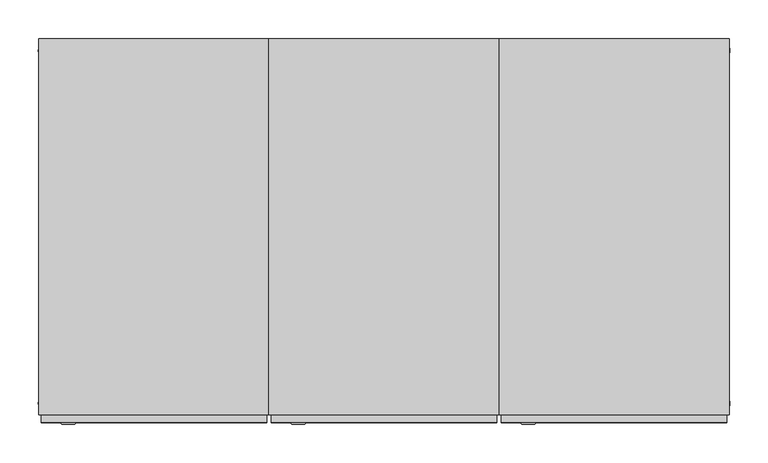
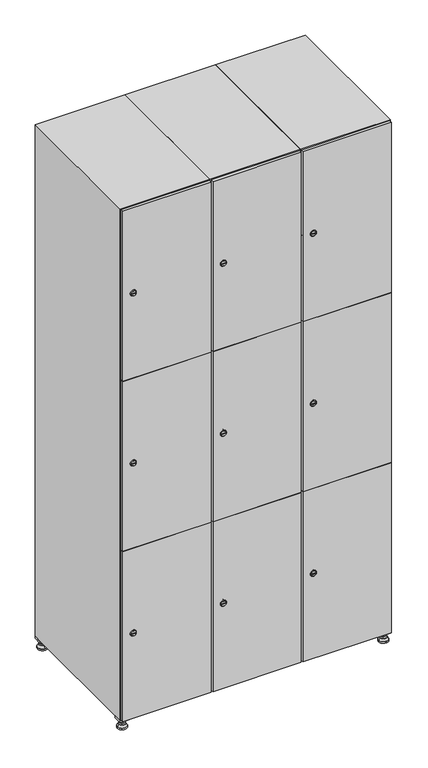
"""IFC4 building model written with IfcOpenShell, lengths in millimetres: furniture geometry."""

from ifc_helpers import new_model, si_unit, point, frame, frame_2d, origin, origin_with_axes, place, context, project, spatial, polyline, circle_curve, trimmed, segment, composite_curve, outline, extrude, faceted_brep, source, transform, mapped, element, save
from ifc_brep_helpers import plane_surface, revolved_surface, advanced_brep


def furniture_07a20c81(model_context):
    return source(origin(), model_context, "Body", "SolidModel", [
        extrude(outline(polyline([(700.0, 245.0), (700.0, 215.0), (670.0, 215.0), (670.0, 245.0), (700.0, 245.0)]), holes=[polyline([(698.0, 243.0), (672.0, 243.0), (672.0, 217.0), (698.0, 217.0), (698.0, 243.0)])]), frame((0.0, 0.0, 28.5), z_axis=(0.0, 0.0, 1.0), x_axis=(1.0, 0.0, 0.0)), (0.0, 0.0, 1.0), 6.5),
        extrude(outline(polyline([(670.0, -245.0), (670.0, -215.0), (700.0, -215.0), (700.0, -245.0), (670.0, -245.0)]), holes=[polyline([(672.0, -243.0), (698.0, -243.0), (698.0, -217.0), (672.0, -217.0), (672.0, -243.0)])]), frame((0.0, 0.0, 28.5), z_axis=(0.0, 0.0, 1.0), x_axis=(1.0, 0.0, 0.0)), (0.0, 0.0, 1.0), 6.5),
        extrude(outline(polyline([(-170.0, 245.0), (-170.0, 215.0), (-200.0, 215.0), (-200.0, 245.0), (-170.0, 245.0)]), holes=[polyline([(-172.0, 243.0), (-198.0, 243.0), (-198.0, 217.0), (-172.0, 217.0), (-172.0, 243.0)])]), frame((0.0, 0.0, 28.5), z_axis=(0.0, 0.0, 1.0), x_axis=(1.0, 0.0, 0.0)), (0.0, 0.0, 1.0), 6.5),
        extrude(outline(polyline([(-170.0, -215.0), (-170.0, -245.0), (-200.0, -245.0), (-200.0, -215.0), (-170.0, -215.0)]), holes=[polyline([(-198.0, -243.0), (-172.0, -243.0), (-172.0, -217.0), (-198.0, -217.0), (-198.0, -243.0)])]), frame((0.0, 0.0, 28.5), z_axis=(0.0, 0.0, 1.0), x_axis=(1.0, 0.0, 0.0)), (0.0, 0.0, 1.0), 6.5),
        extrude(outline(composite_curve([segment(trimmed(circle_curve(frame_2d((-185.0, 230.0)), 5.0), [point((-180.0, 230.0))], [point((-190.0, 230.0))], False, "CARTESIAN"), True, "CONTINUOUS"), segment(trimmed(circle_curve(frame_2d((-185.0, 230.0)), 5.0), [point((-190.0, 230.0))], [point((-180.0, 230.0))], False, "CARTESIAN"), True, "CONTINUOUS")], self_intersect=False)), frame((0.0, 0.0, 19.6), z_axis=(0.0, 0.0, 1.0), x_axis=(1.0, 0.0, 0.0)), (0.0, 0.0, 1.0), 15.4),
        extrude(outline(composite_curve([segment(trimmed(circle_curve(frame_2d((-185.0, -230.0)), 5.0), [point((-180.0, -230.0))], [point((-190.0, -230.0))], False, "CARTESIAN"), True, "CONTINUOUS"), segment(trimmed(circle_curve(frame_2d((-185.0, -230.0)), 5.0), [point((-190.0, -230.0))], [point((-180.0, -230.0))], False, "CARTESIAN"), True, "CONTINUOUS")], self_intersect=False)), frame((0.0, 0.0, 19.6), z_axis=(0.0, 0.0, 1.0), x_axis=(1.0, 0.0, 0.0)), (0.0, 0.0, 1.0), 15.4),
        extrude(outline(composite_curve([segment(trimmed(circle_curve(frame_2d((685.0, 230.0)), 5.0), [point((690.0, 230.0))], [point((680.0, 230.0))], False, "CARTESIAN"), True, "CONTINUOUS"), segment(trimmed(circle_curve(frame_2d((685.0, 230.0)), 5.0), [point((680.0, 230.0))], [point((690.0, 230.0))], False, "CARTESIAN"), True, "CONTINUOUS")], self_intersect=False)), frame((0.0, 0.0, 19.6), z_axis=(0.0, 0.0, 1.0), x_axis=(1.0, 0.0, 0.0)), (0.0, 0.0, 1.0), 15.4),
        extrude(outline(polyline([(673.4529946, 230.0), (679.2264973, 240.0), (690.7735027, 240.0), (696.5470054, 230.0), (690.7735027, 220.0), (679.2264973, 220.0), (673.4529946, 230.0)])), frame((0.0, 0.0, 13.6), z_axis=(0.0, 0.0, 1.0), x_axis=(1.0, 0.0, 0.0)), (0.0, 0.0, 1.0), 6.0),
        extrude(outline(composite_curve([segment(trimmed(circle_curve(frame_2d((685.0, -230.0)), 5.0), [point((690.0, -230.0))], [point((680.0, -230.0))], False, "CARTESIAN"), True, "CONTINUOUS"), segment(trimmed(circle_curve(frame_2d((685.0, -230.0)), 5.0), [point((680.0, -230.0))], [point((690.0, -230.0))], False, "CARTESIAN"), True, "CONTINUOUS")], self_intersect=False)), frame((0.0, 0.0, 19.6), z_axis=(0.0, 0.0, 1.0), x_axis=(1.0, 0.0, 0.0)), (0.0, 0.0, 1.0), 15.4),
        extrude(outline(polyline([(673.4529946, -230.0), (679.2264973, -220.0), (690.7735027, -220.0), (696.5470054, -230.0), (690.7735027, -240.0), (679.2264973, -240.0), (673.4529946, -230.0)])), frame((0.0, 0.0, 13.6), z_axis=(0.0, 0.0, 1.0), x_axis=(1.0, 0.0, 0.0)), (0.0, 0.0, 1.0), 6.0),
        extrude(outline(composite_curve([segment(trimmed(circle_curve(frame_2d((685.0, 230.0)), 5.0), [point((690.0, 230.0))], [point((680.0, 230.0))], False, "CARTESIAN"), True, "CONTINUOUS"), segment(trimmed(circle_curve(frame_2d((685.0, 230.0)), 5.0), [point((680.0, 230.0))], [point((690.0, 230.0))], False, "CARTESIAN"), True, "CONTINUOUS")], self_intersect=False)), frame((0.0, 0.0, 12.1), z_axis=(0.0, 0.0, 1.0), x_axis=(1.0, 0.0, 0.0)), (0.0, 0.0, 1.0), 1.5),
        extrude(outline(composite_curve([segment(trimmed(circle_curve(frame_2d((685.0, -230.0)), 5.0), [point((690.0, -230.0))], [point((680.0, -230.0))], False, "CARTESIAN"), True, "CONTINUOUS"), segment(trimmed(circle_curve(frame_2d((685.0, -230.0)), 5.0), [point((680.0, -230.0))], [point((690.0, -230.0))], False, "CARTESIAN"), True, "CONTINUOUS")], self_intersect=False)), frame((0.0, 0.0, 12.1), z_axis=(0.0, 0.0, 1.0), x_axis=(1.0, 0.0, 0.0)), (0.0, 0.0, 1.0), 1.5),
        extrude(outline(polyline([(-196.5470054, 230.0), (-190.7735027, 240.0), (-179.2264973, 240.0), (-173.4529946, 230.0), (-179.2264973, 220.0), (-190.7735027, 220.0), (-196.5470054, 230.0)])), frame((0.0, 0.0, 13.6), z_axis=(0.0, 0.0, 1.0), x_axis=(1.0, 0.0, 0.0)), (0.0, 0.0, 1.0), 6.0),
        extrude(outline(polyline([(-196.5470054, -230.0), (-190.7735027, -220.0), (-179.2264973, -220.0), (-173.4529946, -230.0), (-179.2264973, -240.0), (-190.7735027, -240.0), (-196.5470054, -230.0)])), frame((0.0, 0.0, 13.6), z_axis=(0.0, 0.0, 1.0), x_axis=(1.0, 0.0, 0.0)), (0.0, 0.0, 1.0), 6.0),
        extrude(outline(composite_curve([segment(trimmed(circle_curve(frame_2d((-185.0, 230.0)), 5.0), [point((-185.0, 235.0))], [point((-185.0, 225.0))], False, "CARTESIAN"), True, "CONTINUOUS"), segment(trimmed(circle_curve(frame_2d((-185.0, 230.0)), 5.0), [point((-185.0, 225.0))], [point((-185.0, 235.0))], False, "CARTESIAN"), True, "CONTINUOUS")], self_intersect=False)), frame((0.0, 0.0, 12.1), z_axis=(0.0, 0.0, 1.0), x_axis=(1.0, 0.0, 0.0)), (0.0, 0.0, 1.0), 1.5),
        extrude(outline(composite_curve([segment(trimmed(circle_curve(frame_2d((-185.0, -230.0)), 5.0), [point((-180.0, -230.0))], [point((-190.0, -230.0))], False, "CARTESIAN"), True, "CONTINUOUS"), segment(trimmed(circle_curve(frame_2d((-185.0, -230.0)), 5.0), [point((-190.0, -230.0))], [point((-180.0, -230.0))], False, "CARTESIAN"), True, "CONTINUOUS")], self_intersect=False)), frame((0.0, 0.0, 12.1), z_axis=(0.0, 0.0, 1.0), x_axis=(1.0, 0.0, 0.0)), (0.0, 0.0, 1.0), 1.5),
        extrude(outline(composite_curve([segment(trimmed(circle_curve(frame_2d((685.0, 230.0)), 15.75), [point((700.75, 230.0))], [point((669.25, 230.0))], False, "CARTESIAN"), True, "CONTINUOUS"), segment(trimmed(circle_curve(frame_2d((685.0, 230.0)), 15.75), [point((669.25, 230.0))], [point((700.75, 230.0))], False, "CARTESIAN"), True, "CONTINUOUS")], self_intersect=False)), origin_with_axes(), (0.0, 0.0, 1.0), 5.1),
        extrude(outline(composite_curve([segment(trimmed(circle_curve(frame_2d((685.0, -230.0)), 15.75), [point((685.0, -214.25))], [point((685.0, -245.75))], False, "CARTESIAN"), True, "CONTINUOUS"), segment(trimmed(circle_curve(frame_2d((685.0, -230.0)), 15.75), [point((685.0, -245.75))], [point((685.0, -214.25))], False, "CARTESIAN"), True, "CONTINUOUS")], self_intersect=False)), origin_with_axes(), (0.0, 0.0, 1.0), 5.1),
        extrude(outline(composite_curve([segment(trimmed(circle_curve(frame_2d((-185.0, -230.0)), 15.75), [point((-169.25, -230.0))], [point((-200.75, -230.0))], False, "CARTESIAN"), True, "CONTINUOUS"), segment(trimmed(circle_curve(frame_2d((-185.0, -230.0)), 15.75), [point((-200.75, -230.0))], [point((-169.25, -230.0))], False, "CARTESIAN"), True, "CONTINUOUS")], self_intersect=False)), origin_with_axes(), (0.0, 0.0, 1.0), 5.1),
        extrude(outline(composite_curve([segment(trimmed(circle_curve(frame_2d((-185.0, 230.0)), 15.75), [point((-169.25, 230.0))], [point((-200.75, 230.0))], False, "CARTESIAN"), True, "CONTINUOUS"), segment(trimmed(circle_curve(frame_2d((-185.0, 230.0)), 15.75), [point((-200.75, 230.0))], [point((-169.25, 230.0))], False, "CARTESIAN"), True, "CONTINUOUS")], self_intersect=False)), origin_with_axes(), (0.0, 0.0, 1.0), 5.1),
        advanced_brep(
        [(-185.0, 239.5, 12.1), (-185.0, 220.5, 12.1), (-185.0, 214.25, 5.1), (-185.0, 245.75, 5.1)],
        [
            (0, 1, circle_curve(frame((-185.0, 230.0, 12.1), z_axis=(0.0, 0.0, -1.0), x_axis=(0.0, 1.0, 0.0)), 9.5)),
            (1, 2),
            (2, 3, circle_curve(frame((-185.0, 230.0, 5.1), z_axis=(0.0, 0.0, 1.0), x_axis=(0.0, 1.0, 0.0)), 15.75)),
            (3, 0),
            (1, 0, circle_curve(frame((-185.0, 230.0, 12.1), z_axis=(0.0, 0.0, -1.0), x_axis=(0.0, -1.0, 0.0)), 9.5)),
            (3, 2, circle_curve(frame((-185.0, 230.0, 5.1), z_axis=(0.0, 0.0, 1.0), x_axis=(0.0, -1.0, 0.0)), 15.75)),
        ],
        [
            revolved_surface(polyline([(-185.0, 220.5, 12.099999999999998), (-185.0, 214.25, 5.099999999999998)]), (-185.0, 230.0, 22.74), (0.0, 0.0, -1.0)),
            revolved_surface(polyline([(-185.0, 239.5, 12.099999999999998), (-185.0, 245.75, 5.099999999999998)]), (-185.0, 230.0, 22.74), (0.0, 0.0, -1.0)),
            plane_surface(frame((-185.0, 230.0, 5.1), z_axis=(0.0, 0.0, -1.0), x_axis=(1.0, 0.0, 0.0))),
            plane_surface(frame((-185.0, 230.0, 12.1), z_axis=(0.0, 0.0, 1.0), x_axis=(1.0, 0.0, 0.0))),
        ],
        [
            (0, [[1, 2, 3, 4]]),
            (1, [[5, -4, 6, -2]]),
            (2, [[-3, -6]]),
            (3, [[-5, -1]]),
        ],
    ),
        advanced_brep(
        [(685.0, 239.5, 12.1), (685.0, 220.5, 12.1), (685.0, 214.25, 5.1), (685.0, 245.75, 5.1)],
        [
            (0, 1, circle_curve(frame((685.0, 230.0, 12.1), z_axis=(0.0, 0.0, -1.0), x_axis=(0.0, 1.0, 0.0)), 9.5)),
            (1, 2),
            (2, 3, circle_curve(frame((685.0, 230.0, 5.1), z_axis=(0.0, 0.0, 1.0), x_axis=(0.0, 1.0, 0.0)), 15.75)),
            (3, 0),
            (1, 0, circle_curve(frame((685.0, 230.0, 12.1), z_axis=(0.0, 0.0, -1.0), x_axis=(0.0, -1.0, 0.0)), 9.5)),
            (3, 2, circle_curve(frame((685.0, 230.0, 5.1), z_axis=(0.0, 0.0, 1.0), x_axis=(0.0, -1.0, 0.0)), 15.75)),
        ],
        [
            revolved_surface(polyline([(685.0, 220.5, 12.099999999999998), (685.0, 214.25, 5.099999999999998)]), (685.0, 230.0, 22.74), (0.0, 0.0, -1.0)),
            revolved_surface(polyline([(685.0, 239.5, 12.099999999999998), (685.0, 245.75, 5.099999999999998)]), (685.0, 230.0, 22.74), (0.0, 0.0, -1.0)),
            plane_surface(frame((685.0, 230.0, 5.1), z_axis=(0.0, 0.0, -1.0), x_axis=(1.0, 0.0, 0.0))),
            plane_surface(frame((685.0, 230.0, 12.1), z_axis=(0.0, 0.0, 1.0), x_axis=(1.0, 0.0, 0.0))),
        ],
        [
            (0, [[1, 2, 3, 4]]),
            (1, [[5, -4, 6, -2]]),
            (2, [[-3, -6]]),
            (3, [[-5, -1]]),
        ],
    ),
        advanced_brep(
        [(700.75, -230.0, 5.1), (669.25, -230.0, 5.1), (675.5, -230.0, 12.1), (694.5, -230.0, 12.1)],
        [
            (0, 1, circle_curve(frame((685.0, -230.0, 5.1), z_axis=(0.0, 0.0, 1.0), x_axis=(1.0, 0.0, 0.0)), 15.75)),
            (1, 2),
            (2, 3, circle_curve(frame((685.0, -230.0, 12.1), z_axis=(0.0, 0.0, -1.0), x_axis=(1.0, 0.0, 0.0)), 9.5)),
            (3, 0),
            (1, 0, circle_curve(frame((685.0, -230.0, 5.1), z_axis=(0.0, 0.0, 1.0), x_axis=(-1.0, 0.0, 0.0)), 15.75)),
            (3, 2, circle_curve(frame((685.0, -230.0, 12.1), z_axis=(0.0, 0.0, -1.0), x_axis=(-1.0, 0.0, 0.0)), 9.5)),
        ],
        [
            revolved_surface(polyline([(694.5, -230.0, 12.099999999999998), (700.75, -230.0, 5.099999999999998)]), (685.0, -230.0, 22.74), (0.0, 0.0, -1.0)),
            revolved_surface(polyline([(675.5, -230.0, 12.099999999999998), (669.25, -230.0, 5.099999999999998)]), (685.0, -230.0, 22.74), (0.0, 0.0, -1.0)),
            plane_surface(frame((685.0, -230.0, 12.1), z_axis=(0.0, 0.0, 1.0), x_axis=(0.0, 1.0, 0.0))),
            plane_surface(frame((685.0, -230.0, 5.1), z_axis=(0.0, 0.0, -1.0), x_axis=(0.0, 1.0, 0.0))),
        ],
        [
            (0, [[1, 2, 3, 4]]),
            (1, [[5, -4, 6, -2]]),
            (2, [[-3, -6]]),
            (3, [[-5, -1]]),
        ],
    ),
        advanced_brep(
        [(-169.25, -230.0, 5.1), (-200.75, -230.0, 5.1), (-194.5, -230.0, 12.1), (-175.5, -230.0, 12.1)],
        [
            (0, 1, circle_curve(frame((-185.0, -230.0, 5.1), z_axis=(0.0, 0.0, 1.0), x_axis=(1.0, 0.0, 0.0)), 15.75)),
            (1, 2),
            (2, 3, circle_curve(frame((-185.0, -230.0, 12.1), z_axis=(0.0, 0.0, -1.0), x_axis=(1.0, 0.0, 0.0)), 9.5)),
            (3, 0),
            (1, 0, circle_curve(frame((-185.0, -230.0, 5.1), z_axis=(0.0, 0.0, 1.0), x_axis=(-1.0, 0.0, 0.0)), 15.75)),
            (3, 2, circle_curve(frame((-185.0, -230.0, 12.1), z_axis=(0.0, 0.0, -1.0), x_axis=(-1.0, 0.0, 0.0)), 9.5)),
        ],
        [
            revolved_surface(polyline([(-175.5, -230.0, 12.099999999999998), (-169.25, -230.0, 5.099999999999998)]), (-185.0, -230.0, 22.74), (0.0, 0.0, -1.0)),
            revolved_surface(polyline([(-194.5, -230.0, 12.099999999999998), (-200.75, -230.0, 5.099999999999998)]), (-185.0, -230.0, 22.74), (0.0, 0.0, -1.0)),
            plane_surface(frame((-185.0, -230.0, 12.1), z_axis=(0.0, 0.0, 1.0), x_axis=(0.0, 1.0, 0.0))),
            plane_surface(frame((-185.0, -230.0, 5.1), z_axis=(0.0, 0.0, -1.0), x_axis=(0.0, 1.0, 0.0))),
        ],
        [
            (0, [[1, 2, 3, 4]]),
            (1, [[5, -4, 6, -2]]),
            (2, [[-3, -6]]),
            (3, [[-5, -1]]),
        ],
    ),
        extrude(outline(composite_curve([segment(trimmed(circle_curve(frame_2d((337.0, 411.2010534)), 7.0), [point((344.0, 411.2010534))], [point((330.0, 411.2010534))], False, "CARTESIAN"), True, "CONTINUOUS"), segment(polyline([(330.0, 411.2010534), (330.0, 439.2010534)]), True, "CONTINUOUS"), segment(trimmed(circle_curve(frame_2d((337.0, 439.2010534)), 7.0), [point((330.0, 439.2010534))], [point((344.0, 439.2010534))], False, "CARTESIAN"), True, "CONTINUOUS"), segment(polyline([(344.0, 439.2010534), (344.0, 411.2010534)]), True, "CONTINUOUS")], self_intersect=False)), frame((0.0, -245.0, 0.0), z_axis=(0.0, 1.0, 0.0), x_axis=(0.0, 0.0, 1.0)), (0.0, 0.0, 1.0), 2.0),
        advanced_brep(
        [(446.5, -257.2, 337.0), (429.5, -257.2, 337.0), (433.0, -257.2, 335.75), (433.0, -257.2, 338.25), (443.0, -257.2, 338.25), (443.0, -257.2, 335.75), (448.5, -255.0, 337.0), (427.5, -255.0, 337.0), (433.0, -255.0, 338.25), (433.0, -255.0, 335.75), (443.0, -255.0, 335.75), (443.0, -255.0, 338.25)],
        [
            (0, 1, circle_curve(frame((438.0, -257.2, 337.0), z_axis=(0.0, -1.0, 0.0), x_axis=(1.0, 0.0, 0.0)), 8.5)),
            (1, 0, circle_curve(frame((438.0, -257.2, 337.0), z_axis=(0.0, -1.0, 0.0), x_axis=(-1.0, 0.0, 0.0)), 8.5)),
            (2, 3),
            (3, 4),
            (4, 5),
            (5, 2),
            (6, 7, circle_curve(frame((438.0, -255.0, 337.0), z_axis=(0.0, 1.0, 0.0), x_axis=(-1.0, 0.0, 0.0)), 10.5)),
            (7, 6, circle_curve(frame((438.0, -255.0, 337.0), z_axis=(0.0, 1.0, 0.0), x_axis=(1.0, 0.0, 0.0)), 10.5)),
            (8, 9),
            (9, 10),
            (10, 11),
            (11, 8),
            (0, 6),
            (7, 1),
            (8, 3),
            (2, 9),
            (11, 4),
            (10, 5),
        ],
        [
            plane_surface(frame((438.0, -257.2, 337.0), z_axis=(0.0, -1.0, 0.0), x_axis=(0.0, 0.0, 1.0))),
            plane_surface(frame((438.0, -255.0, 337.0), z_axis=(0.0, 1.0, 0.0), x_axis=(0.0, 0.0, 1.0))),
            revolved_surface(polyline([(446.5, -257.2, 337.0), (448.5, -255.0, 337.0)]), (438.0, -266.55, 337.0), (0.0, 1.0, 0.0)),
            revolved_surface(polyline([(429.5, -257.2, 337.0), (427.5, -255.0, 337.0)]), (438.0, -266.55, 337.0), (0.0, 1.0, 0.0)),
            plane_surface(frame((433.0, -255.0, 335.75), z_axis=(1.0, 0.0, 0.0), x_axis=(0.0, -1.0, 0.0))),
            plane_surface(frame((433.0, -255.0, 338.25), z_axis=(0.0, 0.0, -1.0), x_axis=(0.0, -1.0, 0.0))),
            plane_surface(frame((443.0, -255.0, 338.25), z_axis=(-1.0, 0.0, 0.0), x_axis=(0.0, -1.0, 0.0))),
            plane_surface(frame((443.0, -255.0, 335.75), z_axis=(0.0, 0.0, 1.0), x_axis=(0.0, -1.0, 0.0))),
        ],
        [
            (0, [[1, 2], [3, 4, 5, 6]]),
            (1, [[7, 8], [9, 10, 11, 12]]),
            (2, [[-1, 13, -8, 14]]),
            (3, [[-2, -14, -7, -13]]),
            (4, [[15, -3, 16, -9]]),
            (5, [[-15, -12, 17, -4]]),
            (6, [[-17, -11, 18, -5]]),
            (7, [[-16, -6, -18, -10]]),
        ],
    ),
        extrude(outline(composite_curve([segment(trimmed(circle_curve(frame_2d((935.0, 411.2010534)), 7.0), [point((942.0, 411.2010534))], [point((928.0, 411.2010534))], False, "CARTESIAN"), True, "CONTINUOUS"), segment(polyline([(928.0, 411.2010534), (928.0, 439.2010534)]), True, "CONTINUOUS"), segment(trimmed(circle_curve(frame_2d((935.0, 439.2010534)), 7.0), [point((928.0, 439.2010534))], [point((942.0, 439.2010534))], False, "CARTESIAN"), True, "CONTINUOUS"), segment(polyline([(942.0, 439.2010534), (942.0, 411.2010534)]), True, "CONTINUOUS")], self_intersect=False)), frame((0.0, -245.0, 0.0), z_axis=(0.0, 1.0, 0.0), x_axis=(0.0, 0.0, 1.0)), (0.0, 0.0, 1.0), 2.0),
        advanced_brep(
        [(446.5, -257.2, 935.0), (429.5, -257.2, 935.0), (433.0, -257.2, 933.75), (433.0, -257.2, 936.25), (443.0, -257.2, 936.25), (443.0, -257.2, 933.75), (448.5, -255.0, 935.0), (427.5, -255.0, 935.0), (433.0, -255.0, 936.25), (433.0, -255.0, 933.75), (443.0, -255.0, 933.75), (443.0, -255.0, 936.25)],
        [
            (0, 1, circle_curve(frame((438.0, -257.2, 935.0), z_axis=(0.0, -1.0, 0.0), x_axis=(1.0, 0.0, 0.0)), 8.5)),
            (1, 0, circle_curve(frame((438.0, -257.2, 935.0), z_axis=(0.0, -1.0, 0.0), x_axis=(-1.0, 0.0, 0.0)), 8.5)),
            (2, 3),
            (3, 4),
            (4, 5),
            (5, 2),
            (6, 7, circle_curve(frame((438.0, -255.0, 935.0), z_axis=(0.0, 1.0, 0.0), x_axis=(-1.0, 0.0, 0.0)), 10.5)),
            (7, 6, circle_curve(frame((438.0, -255.0, 935.0), z_axis=(0.0, 1.0, 0.0), x_axis=(1.0, 0.0, 0.0)), 10.5)),
            (8, 9),
            (9, 10),
            (10, 11),
            (11, 8),
            (0, 6),
            (7, 1),
            (8, 3),
            (2, 9),
            (11, 4),
            (10, 5),
        ],
        [
            plane_surface(frame((438.0, -257.2, 935.0), z_axis=(0.0, -1.0, 0.0), x_axis=(0.0, 0.0, 1.0))),
            plane_surface(frame((438.0, -255.0, 935.0), z_axis=(0.0, 1.0, 0.0), x_axis=(0.0, 0.0, 1.0))),
            revolved_surface(polyline([(446.5, -257.2, 935.0), (448.5, -255.0, 935.0)]), (438.0, -266.55, 935.0), (0.0, 1.0, 0.0)),
            revolved_surface(polyline([(429.5, -257.2, 935.0), (427.5, -255.0, 935.0)]), (438.0, -266.55, 935.0), (0.0, 1.0, 0.0)),
            plane_surface(frame((433.0, -255.0, 933.75), z_axis=(1.0, 0.0, 0.0), x_axis=(0.0, -1.0, 0.0))),
            plane_surface(frame((433.0, -255.0, 936.25), z_axis=(0.0, 0.0, -1.0), x_axis=(0.0, -1.0, 0.0))),
            plane_surface(frame((443.0, -255.0, 936.25), z_axis=(-1.0, 0.0, 0.0), x_axis=(0.0, -1.0, 0.0))),
            plane_surface(frame((443.0, -255.0, 933.75), z_axis=(0.0, 0.0, 1.0), x_axis=(0.0, -1.0, 0.0))),
        ],
        [
            (0, [[1, 2], [3, 4, 5, 6]]),
            (1, [[7, 8], [9, 10, 11, 12]]),
            (2, [[-1, 13, -8, 14]]),
            (3, [[-2, -14, -7, -13]]),
            (4, [[15, -3, 16, -9]]),
            (5, [[-15, -12, 17, -4]]),
            (6, [[-17, -11, 18, -5]]),
            (7, [[-16, -6, -18, -10]]),
        ],
    ),
        extrude(outline(composite_curve([segment(trimmed(circle_curve(frame_2d((1533.0, 411.2010534)), 7.0), [point((1540.0, 411.2010534))], [point((1526.0, 411.2010534))], False, "CARTESIAN"), True, "CONTINUOUS"), segment(polyline([(1526.0, 411.2010534), (1526.0, 439.2010534)]), True, "CONTINUOUS"), segment(trimmed(circle_curve(frame_2d((1533.0, 439.2010534)), 7.0), [point((1526.0, 439.2010534))], [point((1540.0, 439.2010534))], False, "CARTESIAN"), True, "CONTINUOUS"), segment(polyline([(1540.0, 439.2010534), (1540.0, 411.2010534)]), True, "CONTINUOUS")], self_intersect=False)), frame((0.0, -245.0, 0.0), z_axis=(0.0, 1.0, 0.0), x_axis=(0.0, 0.0, 1.0)), (0.0, 0.0, 1.0), 2.0),
        advanced_brep(
        [(446.5, -257.2, 1533.0), (429.5, -257.2, 1533.0), (433.0, -257.2, 1531.75), (433.0, -257.2, 1534.25), (443.0, -257.2, 1534.25), (443.0, -257.2, 1531.75), (448.5, -255.0, 1533.0), (427.5, -255.0, 1533.0), (433.0, -255.0, 1534.25), (433.0, -255.0, 1531.75), (443.0, -255.0, 1531.75), (443.0, -255.0, 1534.25)],
        [
            (0, 1, circle_curve(frame((438.0, -257.2, 1533.0), z_axis=(0.0, -1.0, 0.0), x_axis=(1.0, 0.0, 0.0)), 8.5)),
            (1, 0, circle_curve(frame((438.0, -257.2, 1533.0), z_axis=(0.0, -1.0, 0.0), x_axis=(-1.0, 0.0, 0.0)), 8.5)),
            (2, 3),
            (3, 4),
            (4, 5),
            (5, 2),
            (6, 7, circle_curve(frame((438.0, -255.0, 1533.0), z_axis=(0.0, 1.0, 0.0), x_axis=(-1.0, 0.0, 0.0)), 10.5)),
            (7, 6, circle_curve(frame((438.0, -255.0, 1533.0), z_axis=(0.0, 1.0, 0.0), x_axis=(1.0, 0.0, 0.0)), 10.5)),
            (8, 9),
            (9, 10),
            (10, 11),
            (11, 8),
            (0, 6),
            (7, 1),
            (8, 3),
            (2, 9),
            (11, 4),
            (10, 5),
        ],
        [
            plane_surface(frame((438.0, -257.2, 1533.0), z_axis=(0.0, -1.0, 0.0), x_axis=(0.0, 0.0, 1.0))),
            plane_surface(frame((438.0, -255.0, 1533.0), z_axis=(0.0, 1.0, 0.0), x_axis=(0.0, 0.0, 1.0))),
            revolved_surface(polyline([(446.5, -257.2, 1533.0), (448.5, -255.0, 1533.0)]), (438.0, -266.55, 1533.0), (0.0, 1.0, 0.0)),
            revolved_surface(polyline([(429.5, -257.2, 1533.0), (427.5, -255.0, 1533.0)]), (438.0, -266.55, 1533.0), (0.0, 1.0, 0.0)),
            plane_surface(frame((433.0, -255.0, 1531.75), z_axis=(1.0, 0.0, 0.0), x_axis=(0.0, -1.0, 0.0))),
            plane_surface(frame((433.0, -255.0, 1534.25), z_axis=(0.0, 0.0, -1.0), x_axis=(0.0, -1.0, 0.0))),
            plane_surface(frame((443.0, -255.0, 1534.25), z_axis=(-1.0, 0.0, 0.0), x_axis=(0.0, -1.0, 0.0))),
            plane_surface(frame((443.0, -255.0, 1531.75), z_axis=(0.0, 0.0, 1.0), x_axis=(0.0, -1.0, 0.0))),
        ],
        [
            (0, [[1, 2], [3, 4, 5, 6]]),
            (1, [[7, 8], [9, 10, 11, 12]]),
            (2, [[-1, 13, -8, 14]]),
            (3, [[-2, -14, -7, -13]]),
            (4, [[15, -3, 16, -9]]),
            (5, [[-15, -12, 17, -4]]),
            (6, [[-17, -11, 18, -5]]),
            (7, [[-16, -6, -18, -10]]),
        ],
    ),
        extrude(outline(polyline([(697.0, -245.0), (697.0, -255.0), (403.0, -255.0), (403.0, -245.0), (697.0, -245.0)])), frame((0.0, 0.0, 636.5), z_axis=(0.0, 0.0, 1.0), x_axis=(1.0, 0.0, 0.0)), (0.0, 0.0, 1.0), 597.0),
        extrude(outline(polyline([(403.0, -255.0), (403.0, -245.0), (697.0, -245.0), (697.0, -255.0), (403.0, -255.0)])), frame((0.0, 0.0, 1234.5), z_axis=(0.0, 0.0, 1.0), x_axis=(1.0, 0.0, 0.0)), (0.0, 0.0, 1.0), 597.5),
        extrude(outline(polyline([(697.0, -245.0), (697.0, -255.0), (403.0, -255.0), (403.0, -245.0), (697.0, -245.0)])), frame((0.0, 0.0, 38.0), z_axis=(0.0, 0.0, 1.0), x_axis=(1.0, 0.0, 0.0)), (0.0, 0.0, 1.0), 597.5),
        extrude(outline(polyline([(679.6, 242.0), (679.6, -235.0), (420.4, -235.0), (420.4, 242.0), (679.6, 242.0)])), frame((0.0, 0.0, 1214.7333333), z_axis=(0.0, 0.0, 1.0), x_axis=(1.0, 0.0, 0.0)), (0.0, 0.0, 1.0), 20.4),
        extrude(outline(polyline([(420.4, 242.0), (679.6, 242.0), (679.6, -235.0), (420.4, -235.0), (420.4, 242.0)])), frame((0.0, 0.0, 634.8666667), z_axis=(0.0, 0.0, 1.0), x_axis=(1.0, 0.0, 0.0)), (0.0, 0.0, 1.0), 20.4),
        faceted_brep([(700.0, -245.0, 35.0), (700.0, -245.0, 1835.0), (400.0, -245.0, 1835.0), (400.0, -245.0, 35.0), (679.6, -245.0, 1804.8), (679.6, -245.0, 65.2), (420.4, -245.0, 65.2), (420.4, -245.0, 1804.8), (700.0, 245.0, 35.0), (400.0, 245.0, 35.0), (700.0, 245.0, 1835.0), (400.0, 245.0, 1835.0), (679.6, 242.0, 1804.8), (679.6, 242.0, 65.2), (400.0, 245.0, 1804.8), (420.4, 242.0, 1804.8), (420.4, 242.0, 65.2)], [[[0, 1, 2, 3], [4, 5, 6, 7]], [[8, 0, 3, 9]], [[1, 0, 8, 10]], [[1, 10, 11, 2]], [[4, 12, 13, 5]], [[9, 3, 2, 11, 14]], [[10, 8, 9, 14, 11]], [[12, 15, 16, 13]], [[15, 7, 6, 16]], [[4, 7, 15, 12]], [[6, 5, 13, 16]]]),
        extrude(outline(composite_curve([segment(trimmed(circle_curve(frame_2d((337.0, 111.2010534)), 7.0), [point((344.0, 111.2010534))], [point((330.0, 111.2010534))], False, "CARTESIAN"), True, "CONTINUOUS"), segment(polyline([(330.0, 111.2010534), (330.0, 139.2010534)]), True, "CONTINUOUS"), segment(trimmed(circle_curve(frame_2d((337.0, 139.2010534)), 7.0), [point((330.0, 139.2010534))], [point((344.0, 139.2010534))], False, "CARTESIAN"), True, "CONTINUOUS"), segment(polyline([(344.0, 139.2010534), (344.0, 111.2010534)]), True, "CONTINUOUS")], self_intersect=False)), frame((0.0, -245.0, 0.0), z_axis=(0.0, 1.0, 0.0), x_axis=(0.0, 0.0, 1.0)), (0.0, 0.0, 1.0), 2.0),
        advanced_brep(
        [(146.5, -257.2, 337.0), (129.5, -257.2, 337.0), (133.0, -257.2, 335.75), (133.0, -257.2, 338.25), (143.0, -257.2, 338.25), (143.0, -257.2, 335.75), (148.5, -255.0, 337.0), (127.5, -255.0, 337.0), (133.0, -255.0, 338.25), (133.0, -255.0, 335.75), (143.0, -255.0, 335.75), (143.0, -255.0, 338.25)],
        [
            (0, 1, circle_curve(frame((138.0, -257.2, 337.0), z_axis=(0.0, -1.0, 0.0), x_axis=(1.0, 0.0, 0.0)), 8.5)),
            (1, 0, circle_curve(frame((138.0, -257.2, 337.0), z_axis=(0.0, -1.0, 0.0), x_axis=(-1.0, 0.0, 0.0)), 8.5)),
            (2, 3),
            (3, 4),
            (4, 5),
            (5, 2),
            (6, 7, circle_curve(frame((138.0, -255.0, 337.0), z_axis=(0.0, 1.0, 0.0), x_axis=(-1.0, 0.0, 0.0)), 10.5)),
            (7, 6, circle_curve(frame((138.0, -255.0, 337.0), z_axis=(0.0, 1.0, 0.0), x_axis=(1.0, 0.0, 0.0)), 10.5)),
            (8, 9),
            (9, 10),
            (10, 11),
            (11, 8),
            (0, 6),
            (7, 1),
            (8, 3),
            (2, 9),
            (11, 4),
            (10, 5),
        ],
        [
            plane_surface(frame((138.0, -257.2, 337.0), z_axis=(0.0, -1.0, 0.0), x_axis=(0.0, 0.0, 1.0))),
            plane_surface(frame((138.0, -255.0, 337.0), z_axis=(0.0, 1.0, 0.0), x_axis=(0.0, 0.0, 1.0))),
            revolved_surface(polyline([(146.5, -257.2, 337.0), (148.5, -255.0, 337.0)]), (138.0, -266.55, 337.0), (0.0, 1.0, 0.0)),
            revolved_surface(polyline([(129.5, -257.2, 337.0), (127.5, -255.0, 337.0)]), (138.0, -266.55, 337.0), (0.0, 1.0, 0.0)),
            plane_surface(frame((133.0, -255.0, 335.75), z_axis=(1.0, 0.0, 0.0), x_axis=(0.0, -1.0, 0.0))),
            plane_surface(frame((133.0, -255.0, 338.25), z_axis=(0.0, 0.0, -1.0), x_axis=(0.0, -1.0, 0.0))),
            plane_surface(frame((143.0, -255.0, 338.25), z_axis=(-1.0, 0.0, 0.0), x_axis=(0.0, -1.0, 0.0))),
            plane_surface(frame((143.0, -255.0, 335.75), z_axis=(0.0, 0.0, 1.0), x_axis=(0.0, -1.0, 0.0))),
        ],
        [
            (0, [[1, 2], [3, 4, 5, 6]]),
            (1, [[7, 8], [9, 10, 11, 12]]),
            (2, [[-1, 13, -8, 14]]),
            (3, [[-2, -14, -7, -13]]),
            (4, [[15, -3, 16, -9]]),
            (5, [[-15, -12, 17, -4]]),
            (6, [[-17, -11, 18, -5]]),
            (7, [[-16, -6, -18, -10]]),
        ],
    ),
        extrude(outline(composite_curve([segment(trimmed(circle_curve(frame_2d((935.0, 111.2010534)), 7.0), [point((942.0, 111.2010534))], [point((928.0, 111.2010534))], False, "CARTESIAN"), True, "CONTINUOUS"), segment(polyline([(928.0, 111.2010534), (928.0, 139.2010534)]), True, "CONTINUOUS"), segment(trimmed(circle_curve(frame_2d((935.0, 139.2010534)), 7.0), [point((928.0, 139.2010534))], [point((942.0, 139.2010534))], False, "CARTESIAN"), True, "CONTINUOUS"), segment(polyline([(942.0, 139.2010534), (942.0, 111.2010534)]), True, "CONTINUOUS")], self_intersect=False)), frame((0.0, -245.0, 0.0), z_axis=(0.0, 1.0, 0.0), x_axis=(0.0, 0.0, 1.0)), (0.0, 0.0, 1.0), 2.0),
        advanced_brep(
        [(146.5, -257.2, 935.0), (129.5, -257.2, 935.0), (133.0, -257.2, 933.75), (133.0, -257.2, 936.25), (143.0, -257.2, 936.25), (143.0, -257.2, 933.75), (148.5, -255.0, 935.0), (127.5, -255.0, 935.0), (133.0, -255.0, 936.25), (133.0, -255.0, 933.75), (143.0, -255.0, 933.75), (143.0, -255.0, 936.25)],
        [
            (0, 1, circle_curve(frame((138.0, -257.2, 935.0), z_axis=(0.0, -1.0, 0.0), x_axis=(1.0, 0.0, 0.0)), 8.5)),
            (1, 0, circle_curve(frame((138.0, -257.2, 935.0), z_axis=(0.0, -1.0, 0.0), x_axis=(-1.0, 0.0, 0.0)), 8.5)),
            (2, 3),
            (3, 4),
            (4, 5),
            (5, 2),
            (6, 7, circle_curve(frame((138.0, -255.0, 935.0), z_axis=(0.0, 1.0, 0.0), x_axis=(-1.0, 0.0, 0.0)), 10.5)),
            (7, 6, circle_curve(frame((138.0, -255.0, 935.0), z_axis=(0.0, 1.0, 0.0), x_axis=(1.0, 0.0, 0.0)), 10.5)),
            (8, 9),
            (9, 10),
            (10, 11),
            (11, 8),
            (0, 6),
            (7, 1),
            (8, 3),
            (2, 9),
            (11, 4),
            (10, 5),
        ],
        [
            plane_surface(frame((138.0, -257.2, 935.0), z_axis=(0.0, -1.0, 0.0), x_axis=(0.0, 0.0, 1.0))),
            plane_surface(frame((138.0, -255.0, 935.0), z_axis=(0.0, 1.0, 0.0), x_axis=(0.0, 0.0, 1.0))),
            revolved_surface(polyline([(146.5, -257.2, 935.0), (148.5, -255.0, 935.0)]), (138.0, -266.55, 935.0), (0.0, 1.0, 0.0)),
            revolved_surface(polyline([(129.5, -257.2, 935.0), (127.5, -255.0, 935.0)]), (138.0, -266.55, 935.0), (0.0, 1.0, 0.0)),
            plane_surface(frame((133.0, -255.0, 933.75), z_axis=(1.0, 0.0, 0.0), x_axis=(0.0, -1.0, 0.0))),
            plane_surface(frame((133.0, -255.0, 936.25), z_axis=(0.0, 0.0, -1.0), x_axis=(0.0, -1.0, 0.0))),
            plane_surface(frame((143.0, -255.0, 936.25), z_axis=(-1.0, 0.0, 0.0), x_axis=(0.0, -1.0, 0.0))),
            plane_surface(frame((143.0, -255.0, 933.75), z_axis=(0.0, 0.0, 1.0), x_axis=(0.0, -1.0, 0.0))),
        ],
        [
            (0, [[1, 2], [3, 4, 5, 6]]),
            (1, [[7, 8], [9, 10, 11, 12]]),
            (2, [[-1, 13, -8, 14]]),
            (3, [[-2, -14, -7, -13]]),
            (4, [[15, -3, 16, -9]]),
            (5, [[-15, -12, 17, -4]]),
            (6, [[-17, -11, 18, -5]]),
            (7, [[-16, -6, -18, -10]]),
        ],
    ),
        extrude(outline(composite_curve([segment(trimmed(circle_curve(frame_2d((1533.0, 111.2010534)), 7.0), [point((1540.0, 111.2010534))], [point((1526.0, 111.2010534))], False, "CARTESIAN"), True, "CONTINUOUS"), segment(polyline([(1526.0, 111.2010534), (1526.0, 139.2010534)]), True, "CONTINUOUS"), segment(trimmed(circle_curve(frame_2d((1533.0, 139.2010534)), 7.0), [point((1526.0, 139.2010534))], [point((1540.0, 139.2010534))], False, "CARTESIAN"), True, "CONTINUOUS"), segment(polyline([(1540.0, 139.2010534), (1540.0, 111.2010534)]), True, "CONTINUOUS")], self_intersect=False)), frame((0.0, -245.0, 0.0), z_axis=(0.0, 1.0, 0.0), x_axis=(0.0, 0.0, 1.0)), (0.0, 0.0, 1.0), 2.0),
        advanced_brep(
        [(146.5, -257.2, 1533.0), (129.5, -257.2, 1533.0), (133.0, -257.2, 1531.75), (133.0, -257.2, 1534.25), (143.0, -257.2, 1534.25), (143.0, -257.2, 1531.75), (148.5, -255.0, 1533.0), (127.5, -255.0, 1533.0), (133.0, -255.0, 1534.25), (133.0, -255.0, 1531.75), (143.0, -255.0, 1531.75), (143.0, -255.0, 1534.25)],
        [
            (0, 1, circle_curve(frame((138.0, -257.2, 1533.0), z_axis=(0.0, -1.0, 0.0), x_axis=(1.0, 0.0, 0.0)), 8.5)),
            (1, 0, circle_curve(frame((138.0, -257.2, 1533.0), z_axis=(0.0, -1.0, 0.0), x_axis=(-1.0, 0.0, 0.0)), 8.5)),
            (2, 3),
            (3, 4),
            (4, 5),
            (5, 2),
            (6, 7, circle_curve(frame((138.0, -255.0, 1533.0), z_axis=(0.0, 1.0, 0.0), x_axis=(-1.0, 0.0, 0.0)), 10.5)),
            (7, 6, circle_curve(frame((138.0, -255.0, 1533.0), z_axis=(0.0, 1.0, 0.0), x_axis=(1.0, 0.0, 0.0)), 10.5)),
            (8, 9),
            (9, 10),
            (10, 11),
            (11, 8),
            (0, 6),
            (7, 1),
            (8, 3),
            (2, 9),
            (11, 4),
            (10, 5),
        ],
        [
            plane_surface(frame((138.0, -257.2, 1533.0), z_axis=(0.0, -1.0, 0.0), x_axis=(0.0, 0.0, 1.0))),
            plane_surface(frame((138.0, -255.0, 1533.0), z_axis=(0.0, 1.0, 0.0), x_axis=(0.0, 0.0, 1.0))),
            revolved_surface(polyline([(146.5, -257.2, 1533.0), (148.5, -255.0, 1533.0)]), (138.0, -266.55, 1533.0), (0.0, 1.0, 0.0)),
            revolved_surface(polyline([(129.5, -257.2, 1533.0), (127.5, -255.0, 1533.0)]), (138.0, -266.55, 1533.0), (0.0, 1.0, 0.0)),
            plane_surface(frame((133.0, -255.0, 1531.75), z_axis=(1.0, 0.0, 0.0), x_axis=(0.0, -1.0, 0.0))),
            plane_surface(frame((133.0, -255.0, 1534.25), z_axis=(0.0, 0.0, -1.0), x_axis=(0.0, -1.0, 0.0))),
            plane_surface(frame((143.0, -255.0, 1534.25), z_axis=(-1.0, 0.0, 0.0), x_axis=(0.0, -1.0, 0.0))),
            plane_surface(frame((143.0, -255.0, 1531.75), z_axis=(0.0, 0.0, 1.0), x_axis=(0.0, -1.0, 0.0))),
        ],
        [
            (0, [[1, 2], [3, 4, 5, 6]]),
            (1, [[7, 8], [9, 10, 11, 12]]),
            (2, [[-1, 13, -8, 14]]),
            (3, [[-2, -14, -7, -13]]),
            (4, [[15, -3, 16, -9]]),
            (5, [[-15, -12, 17, -4]]),
            (6, [[-17, -11, 18, -5]]),
            (7, [[-16, -6, -18, -10]]),
        ],
    ),
        extrude(outline(polyline([(397.0, -245.0), (397.0, -255.0), (103.0, -255.0), (103.0, -245.0), (397.0, -245.0)])), frame((0.0, 0.0, 636.5), z_axis=(0.0, 0.0, 1.0), x_axis=(1.0, 0.0, 0.0)), (0.0, 0.0, 1.0), 597.0),
        extrude(outline(polyline([(103.0, -255.0), (103.0, -245.0), (397.0, -245.0), (397.0, -255.0), (103.0, -255.0)])), frame((0.0, 0.0, 1234.5), z_axis=(0.0, 0.0, 1.0), x_axis=(1.0, 0.0, 0.0)), (0.0, 0.0, 1.0), 597.5),
        extrude(outline(polyline([(397.0, -245.0), (397.0, -255.0), (103.0, -255.0), (103.0, -245.0), (397.0, -245.0)])), frame((0.0, 0.0, 38.0), z_axis=(0.0, 0.0, 1.0), x_axis=(1.0, 0.0, 0.0)), (0.0, 0.0, 1.0), 597.5),
        extrude(outline(polyline([(379.6, 242.0), (379.6, -235.0), (120.4, -235.0), (120.4, 242.0), (379.6, 242.0)])), frame((0.0, 0.0, 1214.7333333), z_axis=(0.0, 0.0, 1.0), x_axis=(1.0, 0.0, 0.0)), (0.0, 0.0, 1.0), 20.4),
        extrude(outline(polyline([(120.4, 242.0), (379.6, 242.0), (379.6, -235.0), (120.4, -235.0), (120.4, 242.0)])), frame((0.0, 0.0, 634.8666667), z_axis=(0.0, 0.0, 1.0), x_axis=(1.0, 0.0, 0.0)), (0.0, 0.0, 1.0), 20.4),
        faceted_brep([(400.0, -245.0, 35.0), (400.0, -245.0, 1835.0), (100.0, -245.0, 1835.0), (100.0, -245.0, 35.0), (379.6, -245.0, 1804.8), (379.6, -245.0, 65.2), (120.4, -245.0, 65.2), (120.4, -245.0, 1804.8), (400.0, 245.0, 35.0), (100.0, 245.0, 35.0), (400.0, 245.0, 1835.0), (100.0, 245.0, 1835.0), (379.6, 242.0, 1804.8), (379.6, 242.0, 65.2), (100.0, 245.0, 1804.8), (120.4, 242.0, 1804.8), (120.4, 242.0, 65.2)], [[[0, 1, 2, 3], [4, 5, 6, 7]], [[8, 0, 3, 9]], [[1, 0, 8, 10]], [[1, 10, 11, 2]], [[4, 12, 13, 5]], [[9, 3, 2, 11, 14]], [[10, 8, 9, 14, 11]], [[12, 15, 16, 13]], [[15, 7, 6, 16]], [[4, 7, 15, 12]], [[6, 5, 13, 16]]]),
        extrude(outline(composite_curve([segment(trimmed(circle_curve(frame_2d((337.0, -188.7989466)), 7.0), [point((344.0, -188.7989466))], [point((330.0, -188.7989466))], False, "CARTESIAN"), True, "CONTINUOUS"), segment(polyline([(330.0, -188.7989466), (330.0, -160.7989466)]), True, "CONTINUOUS"), segment(trimmed(circle_curve(frame_2d((337.0, -160.7989466)), 7.0), [point((330.0, -160.7989466))], [point((344.0, -160.7989466))], False, "CARTESIAN"), True, "CONTINUOUS"), segment(polyline([(344.0, -160.7989466), (344.0, -188.7989466)]), True, "CONTINUOUS")], self_intersect=False)), frame((0.0, -245.0, 0.0), z_axis=(0.0, 1.0, 0.0), x_axis=(0.0, 0.0, 1.0)), (0.0, 0.0, 1.0), 2.0),
        advanced_brep(
        [(-153.5, -257.2, 337.0), (-170.5, -257.2, 337.0), (-167.0, -257.2, 335.75), (-167.0, -257.2, 338.25), (-157.0, -257.2, 338.25), (-157.0, -257.2, 335.75), (-151.5, -255.0, 337.0), (-172.5, -255.0, 337.0), (-167.0, -255.0, 338.25), (-167.0, -255.0, 335.75), (-157.0, -255.0, 335.75), (-157.0, -255.0, 338.25)],
        [
            (0, 1, circle_curve(frame((-162.0, -257.2, 337.0), z_axis=(0.0, -1.0, 0.0), x_axis=(1.0, 0.0, 0.0)), 8.5)),
            (1, 0, circle_curve(frame((-162.0, -257.2, 337.0), z_axis=(0.0, -1.0, 0.0), x_axis=(-1.0, 0.0, 0.0)), 8.5)),
            (2, 3),
            (3, 4),
            (4, 5),
            (5, 2),
            (6, 7, circle_curve(frame((-162.0, -255.0, 337.0), z_axis=(0.0, 1.0, 0.0), x_axis=(-1.0, 0.0, 0.0)), 10.5)),
            (7, 6, circle_curve(frame((-162.0, -255.0, 337.0), z_axis=(0.0, 1.0, 0.0), x_axis=(1.0, 0.0, 0.0)), 10.5)),
            (8, 9),
            (9, 10),
            (10, 11),
            (11, 8),
            (0, 6),
            (7, 1),
            (8, 3),
            (2, 9),
            (11, 4),
            (10, 5),
        ],
        [
            plane_surface(frame((-162.0, -257.2, 337.0), z_axis=(0.0, -1.0, 0.0), x_axis=(0.0, 0.0, 1.0))),
            plane_surface(frame((-162.0, -255.0, 337.0), z_axis=(0.0, 1.0, 0.0), x_axis=(0.0, 0.0, 1.0))),
            revolved_surface(polyline([(-153.5, -257.2, 337.0), (-151.5, -255.0, 337.0)]), (-162.0, -266.55, 337.0), (0.0, 1.0, 0.0)),
            revolved_surface(polyline([(-170.5, -257.2, 337.0), (-172.5, -255.0, 337.0)]), (-162.0, -266.55, 337.0), (0.0, 1.0, 0.0)),
            plane_surface(frame((-167.0, -255.0, 335.75), z_axis=(1.0, 0.0, 0.0), x_axis=(0.0, -1.0, 0.0))),
            plane_surface(frame((-167.0, -255.0, 338.25), z_axis=(0.0, 0.0, -1.0), x_axis=(0.0, -1.0, 0.0))),
            plane_surface(frame((-157.0, -255.0, 338.25), z_axis=(-1.0, 0.0, 0.0), x_axis=(0.0, -1.0, 0.0))),
            plane_surface(frame((-157.0, -255.0, 335.75), z_axis=(0.0, 0.0, 1.0), x_axis=(0.0, -1.0, 0.0))),
        ],
        [
            (0, [[1, 2], [3, 4, 5, 6]]),
            (1, [[7, 8], [9, 10, 11, 12]]),
            (2, [[-1, 13, -8, 14]]),
            (3, [[-2, -14, -7, -13]]),
            (4, [[15, -3, 16, -9]]),
            (5, [[-15, -12, 17, -4]]),
            (6, [[-17, -11, 18, -5]]),
            (7, [[-16, -6, -18, -10]]),
        ],
    ),
        extrude(outline(composite_curve([segment(trimmed(circle_curve(frame_2d((935.0, -188.7989466)), 7.0), [point((942.0, -188.7989466))], [point((928.0, -188.7989466))], False, "CARTESIAN"), True, "CONTINUOUS"), segment(polyline([(928.0, -188.7989466), (928.0, -160.7989466)]), True, "CONTINUOUS"), segment(trimmed(circle_curve(frame_2d((935.0, -160.7989466)), 7.0), [point((928.0, -160.7989466))], [point((942.0, -160.7989466))], False, "CARTESIAN"), True, "CONTINUOUS"), segment(polyline([(942.0, -160.7989466), (942.0, -188.7989466)]), True, "CONTINUOUS")], self_intersect=False)), frame((0.0, -245.0, 0.0), z_axis=(0.0, 1.0, 0.0), x_axis=(0.0, 0.0, 1.0)), (0.0, 0.0, 1.0), 2.0),
        advanced_brep(
        [(-153.5, -257.2, 935.0), (-170.5, -257.2, 935.0), (-167.0, -257.2, 933.75), (-167.0, -257.2, 936.25), (-157.0, -257.2, 936.25), (-157.0, -257.2, 933.75), (-151.5, -255.0, 935.0), (-172.5, -255.0, 935.0), (-167.0, -255.0, 936.25), (-167.0, -255.0, 933.75), (-157.0, -255.0, 933.75), (-157.0, -255.0, 936.25)],
        [
            (0, 1, circle_curve(frame((-162.0, -257.2, 935.0), z_axis=(0.0, -1.0, 0.0), x_axis=(1.0, 0.0, 0.0)), 8.5)),
            (1, 0, circle_curve(frame((-162.0, -257.2, 935.0), z_axis=(0.0, -1.0, 0.0), x_axis=(-1.0, 0.0, 0.0)), 8.5)),
            (2, 3),
            (3, 4),
            (4, 5),
            (5, 2),
            (6, 7, circle_curve(frame((-162.0, -255.0, 935.0), z_axis=(0.0, 1.0, 0.0), x_axis=(-1.0, 0.0, 0.0)), 10.5)),
            (7, 6, circle_curve(frame((-162.0, -255.0, 935.0), z_axis=(0.0, 1.0, 0.0), x_axis=(1.0, 0.0, 0.0)), 10.5)),
            (8, 9),
            (9, 10),
            (10, 11),
            (11, 8),
            (0, 6),
            (7, 1),
            (8, 3),
            (2, 9),
            (11, 4),
            (10, 5),
        ],
        [
            plane_surface(frame((-162.0, -257.2, 935.0), z_axis=(0.0, -1.0, 0.0), x_axis=(0.0, 0.0, 1.0))),
            plane_surface(frame((-162.0, -255.0, 935.0), z_axis=(0.0, 1.0, 0.0), x_axis=(0.0, 0.0, 1.0))),
            revolved_surface(polyline([(-153.5, -257.2, 935.0), (-151.5, -255.0, 935.0)]), (-162.0, -266.55, 935.0), (0.0, 1.0, 0.0)),
            revolved_surface(polyline([(-170.5, -257.2, 935.0), (-172.5, -255.0, 935.0)]), (-162.0, -266.55, 935.0), (0.0, 1.0, 0.0)),
            plane_surface(frame((-167.0, -255.0, 933.75), z_axis=(1.0, 0.0, 0.0), x_axis=(0.0, -1.0, 0.0))),
            plane_surface(frame((-167.0, -255.0, 936.25), z_axis=(0.0, 0.0, -1.0), x_axis=(0.0, -1.0, 0.0))),
            plane_surface(frame((-157.0, -255.0, 936.25), z_axis=(-1.0, 0.0, 0.0), x_axis=(0.0, -1.0, 0.0))),
            plane_surface(frame((-157.0, -255.0, 933.75), z_axis=(0.0, 0.0, 1.0), x_axis=(0.0, -1.0, 0.0))),
        ],
        [
            (0, [[1, 2], [3, 4, 5, 6]]),
            (1, [[7, 8], [9, 10, 11, 12]]),
            (2, [[-1, 13, -8, 14]]),
            (3, [[-2, -14, -7, -13]]),
            (4, [[15, -3, 16, -9]]),
            (5, [[-15, -12, 17, -4]]),
            (6, [[-17, -11, 18, -5]]),
            (7, [[-16, -6, -18, -10]]),
        ],
    ),
        extrude(outline(composite_curve([segment(trimmed(circle_curve(frame_2d((1533.0, -188.7989466)), 7.0), [point((1540.0, -188.7989466))], [point((1526.0, -188.7989466))], False, "CARTESIAN"), True, "CONTINUOUS"), segment(polyline([(1526.0, -188.7989466), (1526.0, -160.7989466)]), True, "CONTINUOUS"), segment(trimmed(circle_curve(frame_2d((1533.0, -160.7989466)), 7.0), [point((1526.0, -160.7989466))], [point((1540.0, -160.7989466))], False, "CARTESIAN"), True, "CONTINUOUS"), segment(polyline([(1540.0, -160.7989466), (1540.0, -188.7989466)]), True, "CONTINUOUS")], self_intersect=False)), frame((0.0, -245.0, 0.0), z_axis=(0.0, 1.0, 0.0), x_axis=(0.0, 0.0, 1.0)), (0.0, 0.0, 1.0), 2.0),
        advanced_brep(
        [(-153.5, -257.2, 1533.0), (-170.5, -257.2, 1533.0), (-167.0, -257.2, 1531.75), (-167.0, -257.2, 1534.25), (-157.0, -257.2, 1534.25), (-157.0, -257.2, 1531.75), (-151.5, -255.0, 1533.0), (-172.5, -255.0, 1533.0), (-167.0, -255.0, 1534.25), (-167.0, -255.0, 1531.75), (-157.0, -255.0, 1531.75), (-157.0, -255.0, 1534.25)],
        [
            (0, 1, circle_curve(frame((-162.0, -257.2, 1533.0), z_axis=(0.0, -1.0, 0.0), x_axis=(1.0, 0.0, 0.0)), 8.5)),
            (1, 0, circle_curve(frame((-162.0, -257.2, 1533.0), z_axis=(0.0, -1.0, 0.0), x_axis=(-1.0, 0.0, 0.0)), 8.5)),
            (2, 3),
            (3, 4),
            (4, 5),
            (5, 2),
            (6, 7, circle_curve(frame((-162.0, -255.0, 1533.0), z_axis=(0.0, 1.0, 0.0), x_axis=(-1.0, 0.0, 0.0)), 10.5)),
            (7, 6, circle_curve(frame((-162.0, -255.0, 1533.0), z_axis=(0.0, 1.0, 0.0), x_axis=(1.0, 0.0, 0.0)), 10.5)),
            (8, 9),
            (9, 10),
            (10, 11),
            (11, 8),
            (0, 6),
            (7, 1),
            (8, 3),
            (2, 9),
            (11, 4),
            (10, 5),
        ],
        [
            plane_surface(frame((-162.0, -257.2, 1533.0), z_axis=(0.0, -1.0, 0.0), x_axis=(0.0, 0.0, 1.0))),
            plane_surface(frame((-162.0, -255.0, 1533.0), z_axis=(0.0, 1.0, 0.0), x_axis=(0.0, 0.0, 1.0))),
            revolved_surface(polyline([(-153.5, -257.2, 1533.0), (-151.5, -255.0, 1533.0)]), (-162.0, -266.55, 1533.0), (0.0, 1.0, 0.0)),
            revolved_surface(polyline([(-170.5, -257.2, 1533.0), (-172.5, -255.0, 1533.0)]), (-162.0, -266.55, 1533.0), (0.0, 1.0, 0.0)),
            plane_surface(frame((-167.0, -255.0, 1531.75), z_axis=(1.0, 0.0, 0.0), x_axis=(0.0, -1.0, 0.0))),
            plane_surface(frame((-167.0, -255.0, 1534.25), z_axis=(0.0, 0.0, -1.0), x_axis=(0.0, -1.0, 0.0))),
            plane_surface(frame((-157.0, -255.0, 1534.25), z_axis=(-1.0, 0.0, 0.0), x_axis=(0.0, -1.0, 0.0))),
            plane_surface(frame((-157.0, -255.0, 1531.75), z_axis=(0.0, 0.0, 1.0), x_axis=(0.0, -1.0, 0.0))),
        ],
        [
            (0, [[1, 2], [3, 4, 5, 6]]),
            (1, [[7, 8], [9, 10, 11, 12]]),
            (2, [[-1, 13, -8, 14]]),
            (3, [[-2, -14, -7, -13]]),
            (4, [[15, -3, 16, -9]]),
            (5, [[-15, -12, 17, -4]]),
            (6, [[-17, -11, 18, -5]]),
            (7, [[-16, -6, -18, -10]]),
        ],
    ),
        extrude(outline(polyline([(97.0, -245.0), (97.0, -255.0), (-197.0, -255.0), (-197.0, -245.0), (97.0, -245.0)])), frame((0.0, 0.0, 636.5), z_axis=(0.0, 0.0, 1.0), x_axis=(1.0, 0.0, 0.0)), (0.0, 0.0, 1.0), 597.0),
        extrude(outline(polyline([(-197.0, -255.0), (-197.0, -245.0), (97.0, -245.0), (97.0, -255.0), (-197.0, -255.0)])), frame((0.0, 0.0, 1234.5), z_axis=(0.0, 0.0, 1.0), x_axis=(1.0, 0.0, 0.0)), (0.0, 0.0, 1.0), 597.5),
        extrude(outline(polyline([(97.0, -245.0), (97.0, -255.0), (-197.0, -255.0), (-197.0, -245.0), (97.0, -245.0)])), frame((0.0, 0.0, 38.0), z_axis=(0.0, 0.0, 1.0), x_axis=(1.0, 0.0, 0.0)), (0.0, 0.0, 1.0), 597.5),
        extrude(outline(polyline([(79.6, 242.0), (79.6, -235.0), (-179.6, -235.0), (-179.6, 242.0), (79.6, 242.0)])), frame((0.0, 0.0, 1214.7333333), z_axis=(0.0, 0.0, 1.0), x_axis=(1.0, 0.0, 0.0)), (0.0, 0.0, 1.0), 20.4),
        extrude(outline(polyline([(-179.6, 242.0), (79.6, 242.0), (79.6, -235.0), (-179.6, -235.0), (-179.6, 242.0)])), frame((0.0, 0.0, 634.8666667), z_axis=(0.0, 0.0, 1.0), x_axis=(1.0, 0.0, 0.0)), (0.0, 0.0, 1.0), 20.4),
        faceted_brep([(100.0, -245.0, 35.0), (100.0, -245.0, 1835.0), (-200.0, -245.0, 1835.0), (-200.0, -245.0, 35.0), (79.6, -245.0, 1804.8), (79.6, -245.0, 65.2), (-179.6, -245.0, 65.2), (-179.6, -245.0, 1804.8), (100.0, 245.0, 35.0), (-200.0, 245.0, 35.0), (100.0, 245.0, 1835.0), (-200.0, 245.0, 1835.0), (79.6, 242.0, 1804.8), (79.6, 242.0, 65.2), (-200.0, 245.0, 1804.8), (-179.6, 242.0, 1804.8), (-179.6, 242.0, 65.2)], [[[0, 1, 2, 3], [4, 5, 6, 7]], [[8, 0, 3, 9]], [[1, 0, 8, 10]], [[1, 10, 11, 2]], [[4, 12, 13, 5]], [[9, 3, 2, 11, 14]], [[10, 8, 9, 14, 11]], [[12, 15, 16, 13]], [[15, 7, 6, 16]], [[4, 7, 15, 12]], [[6, 5, 13, 16]]]),
    ])


if __name__ == "__main__":
    model = new_model("IFC4")
    model_context = context("Model", 3, world=origin())
    ifc_project = project(units=[si_unit("LENGTHUNIT", "METRE", prefix="MILLI")], contexts=[model_context])
    site = spatial("IfcSite", under=ifc_project)
    building = spatial("IfcBuilding", under=site)
    placement = place(None, origin())
    furniture_shape = furniture_07a20c81(model_context)
    element("IfcFurniture", 1, at=placement, inside=building, context=model_context, shape_type="MappedRepresentation", body=[
        mapped(furniture_shape, transform((0.0, 0.0, 0.0), x_axis=(1.0, 0.0, 0.0), y_axis=(0.0, 1.0, 0.0), z_axis=(0.0, 0.0, 1.0))),
    ])
    save(model, "model.ifc")
